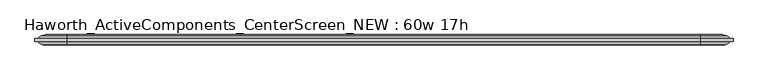
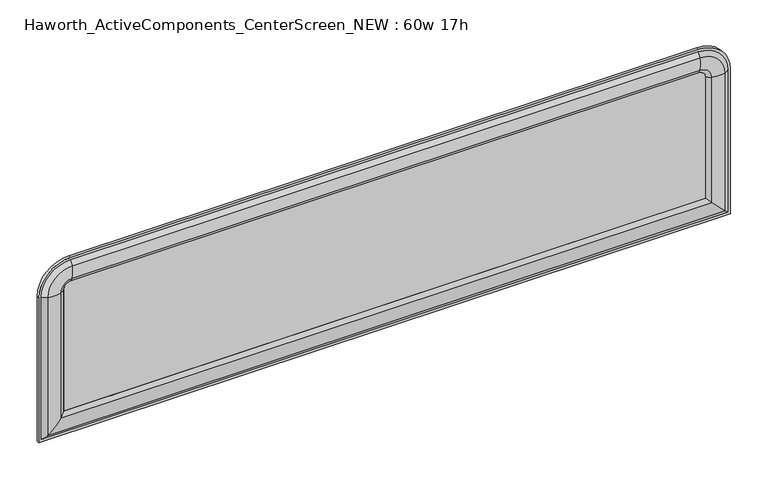
"""IFC4 building model written with IfcOpenShell, lengths in millimetres: furniture geometry, Haworth_ActiveComponents_CenterScreen_NEW : 60w 17h."""

from ifc_helpers import new_model, si_unit, point, frame, frame_2d, origin, place, context, project, spatial, polyline, circle_curve, ellipse_curve, trimmed, segment, composite_curve, outline, extrude, source, transform, mapped, element, save
from ifc_brep_helpers import plane_surface, cylinder_surface, revolved_surface, advanced_brep


def haworth_activecomponents_centerscreen_new_60w_17h_4ee113e7(model_context):
    return source(origin(), model_context, "Body", "SolidModel", [
        advanced_brep(
        [(-626.2471882, 166.5621484, 974.0564604), (-626.2471882, 172.9121484, 974.0564604), (-626.2471882, 172.9121484, 639.2852418), (-626.2471882, 166.5621484, 639.2852418), (-610.7190318, 159.9159876, 974.0564604), (-620.3740135, 166.5621484, 974.0564604), (-620.3740135, 166.5621484, 645.1584165), (-610.7190318, 159.9159876, 654.8133982), (-581.7377339, 160.4494239, 974.0564604), (-581.7377339, 160.4494239, 683.794696), (-571.944509, 166.5621484, 974.0564604), (-571.944509, 166.5621484, 693.587921), (-571.944509, 172.9121484, 974.0564604), (-571.944509, 172.9121484, 693.587921), (-581.7377339, 179.024873, 974.0564604), (-581.7377339, 179.024873, 683.794696), (-610.7190318, 179.5583093, 974.0564604), (-610.7190318, 179.5583093, 654.8133982), (-620.3740135, 172.9121484, 974.0564604), (-620.3740135, 172.9121484, 645.1584165), (889.7721859, 172.9121484, 639.2852418), (889.7721859, 166.5621484, 639.2852418), (883.8990112, 166.5621484, 645.1584165), (874.2440295, 159.9159876, 654.8133982), (845.2627317, 160.4494239, 683.794696), (835.4695068, 166.5621484, 693.587921), (835.4695068, 172.9121484, 693.587921), (845.2627317, 179.024873, 683.794696), (874.2440295, 179.5583093, 654.8133982), (883.8990112, 172.9121484, 645.1584165), (889.7721859, 172.9121484, 974.0564604), (889.7721859, 166.5621484, 974.0564604), (883.8990112, 166.5621484, 974.0564604), (874.2440295, 159.9159876, 974.0564604), (845.2627317, 160.4494239, 974.0564604), (835.4695068, 166.5621484, 974.0564604), (835.4695068, 172.9121484, 974.0564604), (845.2627317, 179.024873, 974.0564604), (874.2440295, 179.5583093, 974.0564604), (883.8990112, 172.9121484, 974.0564604), (819.5945068, 166.5621484, 1044.2341395), (819.5945068, 172.9121484, 1044.2341395), (819.5945068, 159.9159876, 1028.7059832), (819.5945068, 166.5621484, 1038.3609648), (819.5945068, 160.4494239, 999.7246853), (819.5945068, 166.5621484, 989.9314604), (819.5945068, 172.9121484, 989.9314604), (819.5945068, 179.024873, 999.7246853), (819.5945068, 179.5583093, 1028.7059832), (819.5945068, 172.9121484, 1038.3609648), (-556.069509, 172.9121484, 1044.2341395), (-556.069509, 166.5621484, 1044.2341395), (-556.069509, 166.5621484, 1038.3609648), (-556.069509, 159.9159876, 1028.7059832), (-556.069509, 160.4494239, 999.7246853), (-556.069509, 166.5621484, 989.9314604), (-556.069509, 172.9121484, 989.9314604), (-556.069509, 179.024873, 999.7246853), (-556.069509, 179.5583093, 1028.7059832), (-556.069509, 172.9121484, 1038.3609648)],
        [
            (0, 1),
            (1, 2),
            (2, 3),
            (3, 0),
            (4, 5, circle_curve(frame((-606.5239346, 176.3463227, 974.0564604), z_axis=(0.0, 0.0, -1.0), x_axis=(0.0, -1.0, 0.0)), 16.9574394)),
            (5, 6),
            (6, 7, ellipse_curve(frame((-606.5239346, 176.3463227, 659.0084954), z_axis=(-0.707106781186545, 0.0, 0.7071067811865499), x_axis=(0.7071067811865498, 0.0, 0.7071067811865452)), 23.9814408, 16.9574394)),
            (7, 4),
            (8, 4, circle_curve(frame((-597.1981786, 212.871172, 974.0564604), z_axis=(0.0, 0.0, -1.0), x_axis=(0.0, -1.0, 0.0)), 54.6540486)),
            (7, 9, ellipse_curve(frame((-597.1981786, 212.871172, 668.3342514), z_axis=(-0.707106781186545, 0.0, 0.7071067811865499), x_axis=(0.7071067811865498, 0.0, 0.7071067811865452)), 77.2924967, 54.6540486)),
            (9, 8),
            (10, 8, circle_curve(frame((-587.8325958, 181.115279, 974.0564604), z_axis=(0.0, 0.0, -1.0), x_axis=(0.0, -1.0, 0.0)), 21.5458792)),
            (9, 11, ellipse_curve(frame((-587.8325958, 181.115279, 677.6998342), z_axis=(-0.707106781186545, 0.0, 0.7071067811865499), x_axis=(0.7071067811865498, 0.0, 0.7071067811865452)), 30.4704745, 21.5458792)),
            (11, 10),
            (12, 10),
            (11, 13),
            (13, 12),
            (14, 12, circle_curve(frame((-587.8325958, 158.3590179, 974.0564604), z_axis=(0.0, 0.0, -1.0), x_axis=(0.0, -1.0, 0.0)), 21.5458792)),
            (13, 15, ellipse_curve(frame((-587.8325958, 158.3590179, 677.6998342), z_axis=(-0.707106781186545, 0.0, 0.7071067811865499), x_axis=(0.7071067811865498, 0.0, 0.7071067811865452)), 30.4704745, 21.5458792)),
            (15, 14),
            (16, 14, circle_curve(frame((-597.1981786, 126.6031249, 974.0564604), z_axis=(0.0, 0.0, -1.0), x_axis=(0.0, -1.0, 0.0)), 54.6540486)),
            (15, 17, ellipse_curve(frame((-597.1981786, 126.6031249, 668.3342514), z_axis=(-0.707106781186545, 0.0, 0.7071067811865499), x_axis=(0.7071067811865498, 0.0, 0.7071067811865452)), 77.2924967, 54.6540486)),
            (17, 16),
            (18, 16, circle_curve(frame((-606.5239346, 163.1279742, 974.0564604), z_axis=(0.0, 0.0, -1.0), x_axis=(0.0, -1.0, 0.0)), 16.9574394)),
            (17, 19, ellipse_curve(frame((-606.5239346, 163.1279742, 659.0084954), z_axis=(-0.707106781186545, 0.0, 0.7071067811865499), x_axis=(0.7071067811865498, 0.0, 0.7071067811865452)), 23.9814408, 16.9574394)),
            (19, 18),
            (2, 20),
            (20, 21),
            (21, 3),
            (6, 22),
            (22, 23, ellipse_curve(frame((870.0489323, 176.3463227, 659.0084954), z_axis=(-0.70710678118655, 0.0, -0.7071067811865451), x_axis=(-0.7071067811865449, 0.0, 0.7071067811865501)), 23.9814408, 16.9574394)),
            (23, 7),
            (23, 24, ellipse_curve(frame((860.7231764, 212.871172, 668.3342514), z_axis=(-0.70710678118655, 0.0, -0.7071067811865451), x_axis=(-0.7071067811865449, 0.0, 0.7071067811865501)), 77.2924967, 54.6540486)),
            (24, 9),
            (24, 25, ellipse_curve(frame((851.3575935, 181.115279, 677.6998342), z_axis=(-0.70710678118655, 0.0, -0.7071067811865451), x_axis=(-0.7071067811865449, 0.0, 0.7071067811865501)), 30.4704745, 21.5458792)),
            (25, 11),
            (25, 26),
            (26, 13),
            (26, 27, ellipse_curve(frame((851.3575935, 158.3590179, 677.6998342), z_axis=(-0.70710678118655, 0.0, -0.7071067811865451), x_axis=(-0.7071067811865449, 0.0, 0.7071067811865501)), 30.4704745, 21.5458792)),
            (27, 15),
            (27, 28, ellipse_curve(frame((860.7231764, 126.6031249, 668.3342514), z_axis=(-0.70710678118655, 0.0, -0.7071067811865451), x_axis=(-0.7071067811865449, 0.0, 0.7071067811865501)), 77.2924967, 54.6540486)),
            (28, 17),
            (28, 29, ellipse_curve(frame((870.0489323, 163.1279742, 659.0084954), z_axis=(-0.70710678118655, 0.0, -0.7071067811865451), x_axis=(-0.7071067811865449, 0.0, 0.7071067811865501)), 23.9814408, 16.9574394)),
            (29, 19),
            (20, 30),
            (30, 31),
            (31, 21),
            (22, 32),
            (32, 33, circle_curve(frame((870.0489323, 176.3463227, 974.0564604), z_axis=(0.0, 0.0, -1.0), x_axis=(0.0, -1.0, 0.0)), 16.9574394)),
            (33, 23),
            (33, 34, circle_curve(frame((860.7231764, 212.871172, 974.0564604), z_axis=(0.0, 0.0, -1.0), x_axis=(0.0, -1.0, 0.0)), 54.6540486)),
            (34, 24),
            (34, 35, circle_curve(frame((851.3575935, 181.115279, 974.0564604), z_axis=(0.0, 0.0, -1.0), x_axis=(0.0, -1.0, 0.0)), 21.5458792)),
            (35, 25),
            (35, 36),
            (36, 26),
            (36, 37, circle_curve(frame((851.3575935, 158.3590179, 974.0564604), z_axis=(0.0, 0.0, -1.0), x_axis=(0.0, -1.0, 0.0)), 21.5458792)),
            (37, 27),
            (37, 38, circle_curve(frame((860.7231764, 126.6031249, 974.0564604), z_axis=(0.0, 0.0, -1.0), x_axis=(0.0, -1.0, 0.0)), 54.6540486)),
            (38, 28),
            (38, 39, circle_curve(frame((870.0489323, 163.1279742, 974.0564604), z_axis=(0.0, 0.0, -1.0), x_axis=(0.0, -1.0, 0.0)), 16.9574394)),
            (39, 29),
            (40, 31, circle_curve(frame((819.5945068, 166.5621484, 974.0564604), z_axis=(0.0, 1.0, 0.0), x_axis=(1.0, 0.0, 0.0)), 70.1776791)),
            (30, 41, circle_curve(frame((819.5945068, 172.9121484, 974.0564604), z_axis=(0.0, -1.0, 0.0), x_axis=(1.0, 0.0, 0.0)), 70.1776791)),
            (41, 40),
            (42, 33, circle_curve(frame((819.5945068, 159.9159876, 974.0564604), z_axis=(0.0, 1.0, 0.0), x_axis=(1.0, 0.0, 0.0)), 54.6495228)),
            (32, 43, circle_curve(frame((819.5945068, 166.5621484, 974.0564604), z_axis=(0.0, -1.0, 0.0), x_axis=(1.0, 0.0, 0.0)), 64.3045045)),
            (43, 42, circle_curve(frame((819.5945068, 176.3463227, 1024.5108859), z_axis=(1.0, 0.0, 0.0), x_axis=(0.0, -1.0, 0.0)), 16.9574394)),
            (44, 34, circle_curve(frame((819.5945068, 160.4494239, 974.0564604), z_axis=(0.0, 1.0, 0.0), x_axis=(1.0, 0.0, 0.0)), 25.6682249)),
            (42, 44, circle_curve(frame((819.5945068, 212.871172, 1015.18513), z_axis=(1.0, 0.0, 0.0), x_axis=(0.0, -1.0, 0.0)), 54.6540486)),
            (45, 35, circle_curve(frame((819.5945068, 166.5621484, 974.0564604), z_axis=(0.0, 1.0, 0.0), x_axis=(1.0, 0.0, 0.0)), 15.875)),
            (44, 45, circle_curve(frame((819.5945068, 181.115279, 1005.8195471), z_axis=(1.0, 0.0, 0.0), x_axis=(0.0, -1.0, 0.0)), 21.5458792)),
            (46, 36, circle_curve(frame((819.5945068, 172.9121484, 974.0564604), z_axis=(0.0, 1.0, 0.0), x_axis=(1.0, 0.0, 0.0)), 15.875)),
            (45, 46),
            (47, 37, circle_curve(frame((819.5945068, 179.024873, 974.0564604), z_axis=(0.0, 1.0, 0.0), x_axis=(1.0, 0.0, 0.0)), 25.6682249)),
            (46, 47, circle_curve(frame((819.5945068, 158.3590179, 1005.8195471), z_axis=(1.0, 0.0, 0.0), x_axis=(0.0, -1.0, 0.0)), 21.5458792)),
            (48, 38, circle_curve(frame((819.5945068, 179.5583093, 974.0564604), z_axis=(0.0, 1.0, 0.0), x_axis=(1.0, 0.0, 0.0)), 54.6495228)),
            (47, 48, circle_curve(frame((819.5945068, 126.6031249, 1015.18513), z_axis=(1.0, 0.0, 0.0), x_axis=(0.0, -1.0, 0.0)), 54.6540486)),
            (49, 39, circle_curve(frame((819.5945068, 172.9121484, 974.0564604), z_axis=(0.0, 1.0, 0.0), x_axis=(1.0, 0.0, 0.0)), 64.3045045)),
            (48, 49, circle_curve(frame((819.5945068, 163.1279742, 1024.5108859), z_axis=(1.0, 0.0, 0.0), x_axis=(0.0, -1.0, 0.0)), 16.9574394)),
            (41, 50),
            (50, 51),
            (51, 40),
            (43, 52),
            (52, 53, circle_curve(frame((-556.069509, 176.3463227, 1024.5108859), z_axis=(1.0, 0.0, 0.0), x_axis=(0.0, -1.0, 0.0)), 16.9574394)),
            (53, 42),
            (53, 54, circle_curve(frame((-556.069509, 212.871172, 1015.18513), z_axis=(1.0, 0.0, 0.0), x_axis=(0.0, -1.0, 0.0)), 54.6540486)),
            (54, 44),
            (54, 55, circle_curve(frame((-556.069509, 181.115279, 1005.8195471), z_axis=(1.0, 0.0, 0.0), x_axis=(0.0, -1.0, 0.0)), 21.5458792)),
            (55, 45),
            (55, 56),
            (56, 46),
            (56, 57, circle_curve(frame((-556.069509, 158.3590179, 1005.8195471), z_axis=(1.0, 0.0, 0.0), x_axis=(0.0, -1.0, 0.0)), 21.5458792)),
            (57, 47),
            (57, 58, circle_curve(frame((-556.069509, 126.6031249, 1015.18513), z_axis=(1.0, 0.0, 0.0), x_axis=(0.0, -1.0, 0.0)), 54.6540486)),
            (58, 48),
            (58, 59, circle_curve(frame((-556.069509, 163.1279742, 1024.5108859), z_axis=(1.0, 0.0, 0.0), x_axis=(0.0, -1.0, 0.0)), 16.9574394)),
            (59, 49),
            (0, 51, circle_curve(frame((-556.069509, 166.5621484, 974.0564604), z_axis=(0.0, 1.0, 0.0), x_axis=(0.0, 0.0, 1.0)), 70.1776791)),
            (50, 1, circle_curve(frame((-556.069509, 172.9121484, 974.0564604), z_axis=(0.0, -1.0, 0.0), x_axis=(0.0, 0.0, 1.0)), 70.1776791)),
            (5, 52, circle_curve(frame((-556.069509, 166.5621484, 974.0564604), z_axis=(0.0, 1.0, 0.0), x_axis=(0.0, 0.0, 1.0)), 64.3045045)),
            (4, 53, circle_curve(frame((-556.069509, 159.9159876, 974.0564604), z_axis=(0.0, 1.0, 0.0), x_axis=(0.0, 0.0, 1.0)), 54.6495228)),
            (8, 54, circle_curve(frame((-556.069509, 160.4494239, 974.0564604), z_axis=(0.0, 1.0, 0.0), x_axis=(0.0, 0.0, 1.0)), 25.6682249)),
            (10, 55, circle_curve(frame((-556.069509, 166.5621484, 974.0564604), z_axis=(0.0, 1.0, 0.0), x_axis=(0.0, 0.0, 1.0)), 15.875)),
            (12, 56, circle_curve(frame((-556.069509, 172.9121484, 974.0564604), z_axis=(0.0, 1.0, 0.0), x_axis=(0.0, 0.0, 1.0)), 15.875)),
            (14, 57, circle_curve(frame((-556.069509, 179.024873, 974.0564604), z_axis=(0.0, 1.0, 0.0), x_axis=(0.0, 0.0, 1.0)), 25.6682249)),
            (16, 58, circle_curve(frame((-556.069509, 179.5583093, 974.0564604), z_axis=(0.0, 1.0, 0.0), x_axis=(0.0, 0.0, 1.0)), 54.6495228)),
            (18, 59, circle_curve(frame((-556.069509, 172.9121484, 974.0564604), z_axis=(0.0, 1.0, 0.0), x_axis=(0.0, 0.0, 1.0)), 64.3045045)),
        ],
        [
            plane_surface(frame((-626.2471882, 172.9121484, 974.0564604), z_axis=(-1.0, 0.0, 0.0), x_axis=(0.0, 0.0, -1.0))),
            cylinder_surface(frame((-606.5239346, 176.3463227, 974.0564604), z_axis=(0.0, 0.0, 1.0), x_axis=(0.0, -1.0, 0.0)), 16.9574394),
            cylinder_surface(frame((-597.1981786, 212.871172, 974.0564604), z_axis=(0.0, 0.0, 1.0), x_axis=(0.0, -1.0, 0.0)), 54.6540486),
            cylinder_surface(frame((-587.8325958, 181.115279, 974.0564604), z_axis=(0.0, 0.0, 1.0), x_axis=(0.0, -1.0, 0.0)), 21.5458792),
            plane_surface(frame((-571.944509, 166.5621484, 974.0564604), z_axis=(1.0, 0.0, 0.0), x_axis=(0.0, 0.0, -1.0))),
            cylinder_surface(frame((-587.8325958, 158.3590179, 974.0564604), z_axis=(0.0, 0.0, 1.0), x_axis=(0.0, -1.0, 0.0)), 21.5458792),
            cylinder_surface(frame((-597.1981786, 126.6031249, 974.0564604), z_axis=(0.0, 0.0, 1.0), x_axis=(0.0, -1.0, 0.0)), 54.6540486),
            cylinder_surface(frame((-606.5239346, 163.1279742, 974.0564604), z_axis=(0.0, 0.0, 1.0), x_axis=(0.0, -1.0, 0.0)), 16.9574394),
            plane_surface(frame((-626.2471882, 172.9121484, 639.2852418), z_axis=(0.0, 0.0, -1.0), x_axis=(1.0, 0.0, 0.0))),
            cylinder_surface(frame((-571.944509, 176.3463227, 659.0084954), z_axis=(-1.0, 0.0, 0.0), x_axis=(0.0, -1.0, 0.0)), 16.9574394),
            cylinder_surface(frame((-571.944509, 212.871172, 668.3342514), z_axis=(-1.0, 0.0, 0.0), x_axis=(0.0, -1.0, 0.0)), 54.6540486),
            cylinder_surface(frame((-571.944509, 181.115279, 677.6998342), z_axis=(-1.0, 0.0, 0.0), x_axis=(0.0, -1.0, 0.0)), 21.5458792),
            plane_surface(frame((-571.944509, 166.5621484, 693.587921), z_axis=(0.0, 0.0, 1.0), x_axis=(1.0, 0.0, 0.0))),
            cylinder_surface(frame((-571.944509, 158.3590179, 677.6998342), z_axis=(-1.0, 0.0, 0.0), x_axis=(0.0, -1.0, 0.0)), 21.5458792),
            cylinder_surface(frame((-571.944509, 126.6031249, 668.3342514), z_axis=(-1.0, 0.0, 0.0), x_axis=(0.0, -1.0, 0.0)), 54.6540486),
            cylinder_surface(frame((-571.944509, 163.1279742, 659.0084954), z_axis=(-1.0, 0.0, 0.0), x_axis=(0.0, -1.0, 0.0)), 16.9574394),
            plane_surface(frame((889.7721859, 172.9121484, 639.2852418), z_axis=(1.0, 0.0, 0.0), x_axis=(0.0, 0.0, 1.0))),
            cylinder_surface(frame((870.0489323, 176.3463227, 693.587921), z_axis=(0.0, 0.0, -1.0), x_axis=(0.0, -1.0, 0.0)), 16.9574394),
            cylinder_surface(frame((860.7231764, 212.871172, 693.587921), z_axis=(0.0, 0.0, -1.0), x_axis=(0.0, -1.0, 0.0)), 54.6540486),
            cylinder_surface(frame((851.3575935, 181.115279, 693.587921), z_axis=(0.0, 0.0, -1.0), x_axis=(0.0, -1.0, 0.0)), 21.5458792),
            plane_surface(frame((835.4695068, 166.5621484, 693.587921), z_axis=(-1.0, 0.0, 0.0), x_axis=(0.0, 0.0, 1.0))),
            cylinder_surface(frame((851.3575935, 158.3590179, 693.587921), z_axis=(0.0, 0.0, -1.0), x_axis=(0.0, -1.0, 0.0)), 21.5458792),
            cylinder_surface(frame((860.7231764, 126.6031249, 693.587921), z_axis=(0.0, 0.0, -1.0), x_axis=(0.0, -1.0, 0.0)), 54.6540486),
            cylinder_surface(frame((870.0489323, 163.1279742, 693.587921), z_axis=(0.0, 0.0, -1.0), x_axis=(0.0, -1.0, 0.0)), 16.9574394),
            cylinder_surface(frame((819.5945068, 166.5621484, 974.0564604), z_axis=(0.0, -1.0, 0.0), x_axis=(1.0, 0.0, 0.0)), 70.1776791),
            revolved_surface(trimmed(ellipse_curve(frame((870.0489323, 176.3463227, 974.0564604), z_axis=(0.0, 0.0, -1.0), x_axis=(0.0, -1.0, 0.0)), 16.9574394, 16.9574394), [point((883.8990112, 166.5621484, 974.0564604))], [point((874.2440295, 159.9159876, 974.0564604))], True, "CARTESIAN"), (819.5945068, 166.5621484, 974.0564604), (0.0, -1.0, 0.0)),
            revolved_surface(trimmed(ellipse_curve(frame((860.7231764, 212.871172, 974.0564604), z_axis=(0.0, 0.0, -1.0), x_axis=(0.0, -1.0, 0.0)), 54.6540486, 54.6540486), [point((874.2440295, 159.9159876, 974.0564604))], [point((845.2627317, 160.4494239, 974.0564604))], True, "CARTESIAN"), (819.5945068, 166.5621484, 974.0564604), (0.0, -1.0, 0.0)),
            revolved_surface(trimmed(ellipse_curve(frame((851.3575935, 181.115279, 974.0564604), z_axis=(0.0, 0.0, -1.0), x_axis=(0.0, -1.0, 0.0)), 21.5458792, 21.5458792), [point((845.2627317, 160.4494239, 974.0564604))], [point((835.4695068, 166.5621484, 974.0564604))], True, "CARTESIAN"), (819.5945068, 166.5621484, 974.0564604), (0.0, -1.0, 0.0)),
            revolved_surface(polyline([(835.4695068, 166.5621484, 974.0564604), (835.4695068, 172.9121484, 974.0564604)]), (819.5945068, 166.5621484, 974.0564604), (0.0, -1.0, 0.0)),
            revolved_surface(trimmed(ellipse_curve(frame((851.3575935, 158.3590179, 974.0564604), z_axis=(0.0, 0.0, -1.0), x_axis=(0.0, -1.0, 0.0)), 21.5458792, 21.5458792), [point((835.4695068, 172.9121484, 974.0564604))], [point((845.2627317, 179.024873, 974.0564604))], True, "CARTESIAN"), (819.5945068, 166.5621484, 974.0564604), (0.0, -1.0, 0.0)),
            revolved_surface(trimmed(ellipse_curve(frame((860.7231764, 126.6031249, 974.0564604), z_axis=(0.0, 0.0, -1.0), x_axis=(0.0, -1.0, 0.0)), 54.6540486, 54.6540486), [point((845.2627317, 179.024873, 974.0564604))], [point((874.2440295, 179.5583093, 974.0564604))], True, "CARTESIAN"), (819.5945068, 166.5621484, 974.0564604), (0.0, -1.0, 0.0)),
            revolved_surface(trimmed(ellipse_curve(frame((870.0489323, 163.1279742, 974.0564604), z_axis=(0.0, 0.0, -1.0), x_axis=(0.0, -1.0, 0.0)), 16.9574394, 16.9574394), [point((874.2440295, 179.5583093, 974.0564604))], [point((883.8990112, 172.9121484, 974.0564604))], True, "CARTESIAN"), (819.5945068, 166.5621484, 974.0564604), (0.0, -1.0, 0.0)),
            plane_surface(frame((819.5945068, 172.9121484, 1044.2341395), z_axis=(0.0, 0.0, 1.0), x_axis=(-1.0, 0.0, 0.0))),
            cylinder_surface(frame((819.5945068, 176.3463227, 1024.5108859), z_axis=(1.0, 0.0, 0.0), x_axis=(0.0, -1.0, 0.0)), 16.9574394),
            cylinder_surface(frame((819.5945068, 212.871172, 1015.18513), z_axis=(1.0, 0.0, 0.0), x_axis=(0.0, -1.0, 0.0)), 54.6540486),
            cylinder_surface(frame((819.5945068, 181.115279, 1005.8195471), z_axis=(1.0, 0.0, 0.0), x_axis=(0.0, -1.0, 0.0)), 21.5458792),
            plane_surface(frame((819.5945068, 166.5621484, 989.9314604), z_axis=(0.0, 0.0, -1.0), x_axis=(-1.0, 0.0, 0.0))),
            cylinder_surface(frame((819.5945068, 158.3590179, 1005.8195471), z_axis=(1.0, 0.0, 0.0), x_axis=(0.0, -1.0, 0.0)), 21.5458792),
            cylinder_surface(frame((819.5945068, 126.6031249, 1015.18513), z_axis=(1.0, 0.0, 0.0), x_axis=(0.0, -1.0, 0.0)), 54.6540486),
            cylinder_surface(frame((819.5945068, 163.1279742, 1024.5108859), z_axis=(1.0, 0.0, 0.0), x_axis=(0.0, -1.0, 0.0)), 16.9574394),
            cylinder_surface(frame((-556.069509, 166.5621484, 974.0564604), z_axis=(0.0, -1.0, 0.0), x_axis=(0.0, 0.0, 1.0)), 70.1776791),
            plane_surface(frame((-556.069509, 166.5621484, 974.0564604), z_axis=(0.0, -1.0, 0.0), x_axis=(0.0, 0.0, 1.0))),
            revolved_surface(trimmed(ellipse_curve(frame((-556.069509, 176.3463227, 1024.5108859), z_axis=(1.0, 0.0, 0.0), x_axis=(0.0, -1.0, 0.0)), 16.9574394, 16.9574394), [point((-556.069509, 166.5621484, 1038.3609648))], [point((-556.069509, 159.9159876, 1028.7059832))], True, "CARTESIAN"), (-556.069509, 166.5621484, 974.0564604), (0.0, -1.0, 0.0)),
            revolved_surface(trimmed(ellipse_curve(frame((-556.069509, 212.871172, 1015.18513), z_axis=(1.0, 0.0, 0.0), x_axis=(0.0, -1.0, 0.0)), 54.6540486, 54.6540486), [point((-556.069509, 159.9159876, 1028.7059832))], [point((-556.069509, 160.4494239, 999.7246853))], True, "CARTESIAN"), (-556.069509, 166.5621484, 974.0564604), (0.0, -1.0, 0.0)),
            revolved_surface(trimmed(ellipse_curve(frame((-556.069509, 181.115279, 1005.8195471), z_axis=(1.0, 0.0, 0.0), x_axis=(0.0, -1.0, 0.0)), 21.5458792, 21.5458792), [point((-556.069509, 160.4494239, 999.7246853))], [point((-556.069509, 166.5621484, 989.9314604))], True, "CARTESIAN"), (-556.069509, 166.5621484, 974.0564604), (0.0, -1.0, 0.0)),
            revolved_surface(polyline([(-556.069509, 166.5621484, 989.9314604), (-556.069509, 172.9121484, 989.9314604)]), (-556.069509, 166.5621484, 974.0564604), (0.0, -1.0, 0.0)),
            revolved_surface(trimmed(ellipse_curve(frame((-556.069509, 158.3590179, 1005.8195471), z_axis=(1.0, 0.0, 0.0), x_axis=(0.0, -1.0, 0.0)), 21.5458792, 21.5458792), [point((-556.069509, 172.9121484, 989.9314604))], [point((-556.069509, 179.024873, 999.7246853))], True, "CARTESIAN"), (-556.069509, 166.5621484, 974.0564604), (0.0, -1.0, 0.0)),
            revolved_surface(trimmed(ellipse_curve(frame((-556.069509, 126.6031249, 1015.18513), z_axis=(1.0, 0.0, 0.0), x_axis=(0.0, -1.0, 0.0)), 54.6540486, 54.6540486), [point((-556.069509, 179.024873, 999.7246853))], [point((-556.069509, 179.5583093, 1028.7059832))], True, "CARTESIAN"), (-556.069509, 166.5621484, 974.0564604), (0.0, -1.0, 0.0)),
            revolved_surface(trimmed(ellipse_curve(frame((-556.069509, 163.1279742, 1024.5108859), z_axis=(1.0, 0.0, 0.0), x_axis=(0.0, -1.0, 0.0)), 16.9574394, 16.9574394), [point((-556.069509, 179.5583093, 1028.7059832))], [point((-556.069509, 172.9121484, 1038.3609648))], True, "CARTESIAN"), (-556.069509, 166.5621484, 974.0564604), (0.0, -1.0, 0.0)),
            plane_surface(frame((-556.069509, 172.9121484, 974.0564604), z_axis=(0.0, 1.0, 0.0), x_axis=(0.0, 0.0, 1.0))),
        ],
        [
            (0, [[1, 2, 3, 4]]),
            (1, [[5, 6, 7, 8]]),
            (2, [[9, -8, 10, 11]]),
            (3, [[12, -11, 13, 14]]),
            (4, [[15, -14, 16, 17]]),
            (5, [[18, -17, 19, 20]]),
            (6, [[21, -20, 22, 23]]),
            (7, [[24, -23, 25, 26]]),
            (8, [[-3, 27, 28, 29]]),
            (9, [[-7, 30, 31, 32]]),
            (10, [[-10, -32, 33, 34]]),
            (11, [[-13, -34, 35, 36]]),
            (12, [[-16, -36, 37, 38]]),
            (13, [[-19, -38, 39, 40]]),
            (14, [[-22, -40, 41, 42]]),
            (15, [[-25, -42, 43, 44]]),
            (16, [[-28, 45, 46, 47]]),
            (17, [[-31, 48, 49, 50]]),
            (18, [[-33, -50, 51, 52]]),
            (19, [[-35, -52, 53, 54]]),
            (20, [[-37, -54, 55, 56]]),
            (21, [[-39, -56, 57, 58]]),
            (22, [[-41, -58, 59, 60]]),
            (23, [[-43, -60, 61, 62]]),
            (24, [[63, -46, 64, 65]]),
            (25, [[66, -49, 67, 68]]),
            (26, [[69, -51, -66, 70]]),
            (27, [[71, -53, -69, 72]]),
            (28, [[73, -55, -71, 74]]),
            (29, [[75, -57, -73, 76]]),
            (30, [[77, -59, -75, 78]]),
            (31, [[79, -61, -77, 80]]),
            (32, [[-65, 81, 82, 83]]),
            (33, [[-68, 84, 85, 86]]),
            (34, [[-70, -86, 87, 88]]),
            (35, [[-72, -88, 89, 90]]),
            (36, [[-74, -90, 91, 92]]),
            (37, [[-76, -92, 93, 94]]),
            (38, [[-78, -94, 95, 96]]),
            (39, [[-80, -96, 97, 98]]),
            (40, [[99, -82, 100, -1]]),
            (41, [[-63, -83, -99, -4, -29, -47], [101, -84, -67, -48, -30, -6]]),
            (42, [[102, -85, -101, -5]]),
            (43, [[103, -87, -102, -9]]),
            (44, [[104, -89, -103, -12]]),
            (45, [[105, -91, -104, -15]]),
            (46, [[106, -93, -105, -18]]),
            (47, [[107, -95, -106, -21]]),
            (48, [[108, -97, -107, -24]]),
            (49, [[-100, -81, -64, -45, -27, -2], [-79, -98, -108, -26, -44, -62]]),
        ],
    ),
        extrude(outline(composite_curve([segment(polyline([(693.587921, 835.4695068), (974.0564604, 835.4695068)]), True, "CONTINUOUS"), segment(trimmed(circle_curve(frame_2d((974.0564604, 819.5945068)), 15.875), [point((974.0564604, 835.4695068))], [point((989.9314604, 819.5945068))], False, "CARTESIAN"), True, "CONTINUOUS"), segment(polyline([(989.9314604, 819.5945068), (989.9314604, -556.069509)]), True, "CONTINUOUS"), segment(trimmed(circle_curve(frame_2d((974.0564604, -556.069509)), 15.875), [point((989.9314604, -556.069509))], [point((974.0564604, -571.944509))], False, "CARTESIAN"), True, "CONTINUOUS"), segment(polyline([(974.0564604, -571.944509), (693.587921, -571.944509), (693.587921, 835.4695068)]), True, "CONTINUOUS")], self_intersect=False)), frame((0.0, 166.5621484, 0.0), z_axis=(0.0, 1.0, 0.0), x_axis=(0.0, 0.0, 1.0)), (0.0, 0.0, 1.0), 6.35),
    ])


if __name__ == "__main__":
    model = new_model("IFC4")
    model_context = context("Model", 3, world=origin())
    ifc_project = project(units=[si_unit("LENGTHUNIT", "METRE", prefix="MILLI")], contexts=[model_context])
    site = spatial("IfcSite", under=ifc_project)
    building = spatial("IfcBuilding", under=site)
    placement = place(None, origin())
    haworth_activecomponents_centerscreen_new_60w_17h_shape = haworth_activecomponents_centerscreen_new_60w_17h_4ee113e7(model_context)
    element("IfcFurniture", 1, ObjectType="Haworth_ActiveComponents_CenterScreen_NEW : 60w 17h", at=placement, inside=building, context=model_context, shape_type="MappedRepresentation", body=[
        mapped(haworth_activecomponents_centerscreen_new_60w_17h_shape, transform((0.0, 0.0, 0.0), x_axis=(1.0, 0.0, 0.0), y_axis=(0.0, 1.0, 0.0), z_axis=(0.0, 0.0, 1.0))),
    ])
    save(model, "model.ifc")
